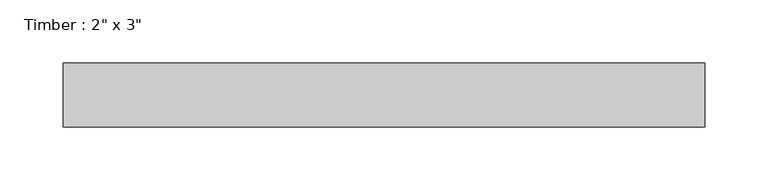
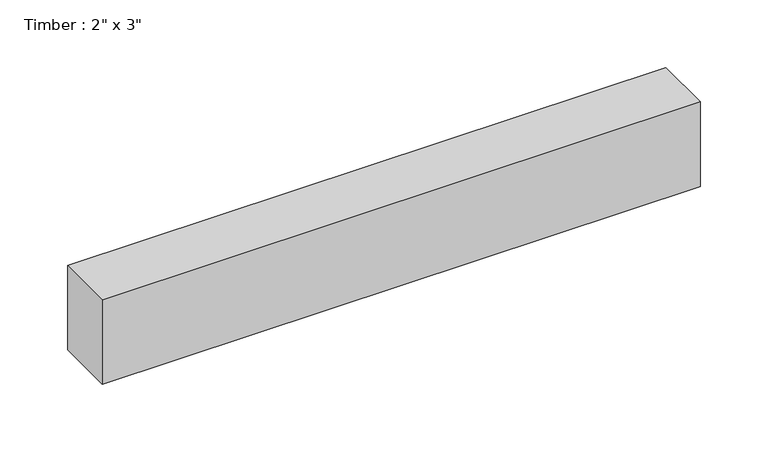
"""IFC4 building model written with IfcOpenShell, lengths in millimetres: beam geometry."""

from ifc_helpers import new_model, si_unit, frame, origin, place, context, project, spatial, polyline, outline, extrude, source, transform, mapped, element, save


def beam_ee826140(model_context):
    return source(origin(), model_context, "Body", "SweptSolid", [
        extrude(outline(polyline([(254.7542526, -25.4), (-254.7542526, -25.4), (-254.7542526, 25.4), (254.7542526, 25.4), (254.7542526, -25.4)])), frame((0.0, 0.0, -38.1), z_axis=(0.0, 0.0, 1.0), x_axis=(1.0, 0.0, 0.0)), (0.0, 0.0, 1.0), 76.2),
    ])


if __name__ == "__main__":
    model = new_model("IFC4")
    model_context = context("Model", 3, world=origin())
    ifc_project = project(units=[si_unit("LENGTHUNIT", "METRE", prefix="MILLI")], contexts=[model_context])
    site = spatial("IfcSite", under=ifc_project)
    building = spatial("IfcBuilding", under=site)
    placement = place(None, origin())
    beam_shape = beam_ee826140(model_context)
    element("IfcBeam", 1, ObjectType="Timber : 2\" x 3\"", at=placement, inside=building, context=model_context, shape_type="MappedRepresentation", body=[
        mapped(beam_shape, transform((0.0, 0.0, 0.0), x_axis=(1.0, 0.0, 0.0), y_axis=(0.0, 1.0, 0.0), z_axis=(0.0, 0.0, 1.0))),
    ])
    save(model, "model.ifc")
